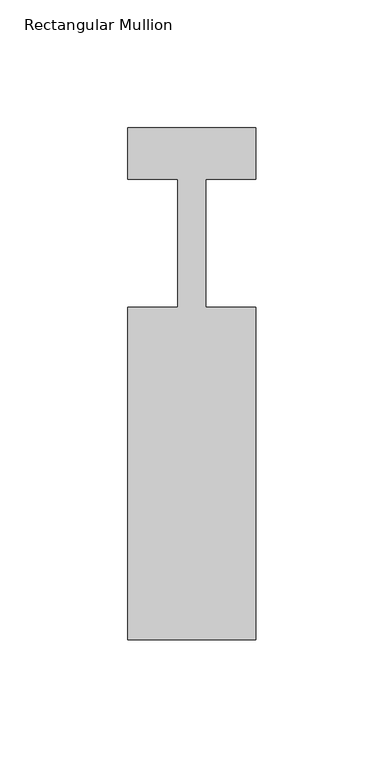
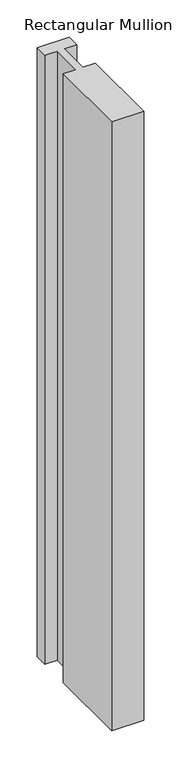
"""IFC4 building model written with IfcOpenShell, lengths in millimetres: member geometry, Rectangular Mullion."""

from ifc_helpers import new_model, si_unit, frame, origin, place, context, project, spatial, polyline, outline, extrude, source, transform, mapped, element, save


def rectangular_mullion_e4d158bd(model_context):
    return source(origin(), model_context, "Body", "SweptSolid", [
        extrude(outline(polyline([(0.0, -153.0), (-50.0, -153.0), (-50.0, -23.0), (-30.4999999, -23.0), (-30.4999999, 27.0), (-50.0, 27.0), (-50.0, 47.0), (0.0, 47.0), (0.0, 27.0), (-19.5, 27.0), (-19.5, -23.0), (0.0, -23.0), (0.0, -153.0)])), frame((0.0, 0.0, -1000.0), z_axis=(0.0, 0.0, 1.0), x_axis=(1.0, 0.0, 0.0)), (0.0, 0.0, 1.0), 1000.0),
    ])


if __name__ == "__main__":
    model = new_model("IFC4")
    model_context = context("Model", 3, world=origin())
    ifc_project = project(units=[si_unit("LENGTHUNIT", "METRE", prefix="MILLI")], contexts=[model_context])
    site = spatial("IfcSite", under=ifc_project)
    building = spatial("IfcBuilding", under=site)
    placement = place(None, origin())
    rectangular_mullion_shape = rectangular_mullion_e4d158bd(model_context)
    element("IfcMember", 1, ObjectType="Rectangular Mullion", at=placement, inside=building, context=model_context, shape_type="MappedRepresentation", body=[
        mapped(rectangular_mullion_shape, transform((0.0, 0.0, 0.0), x_axis=(1.0, 0.0, 0.0), y_axis=(0.0, 1.0, 0.0), z_axis=(0.0, 0.0, 1.0))),
    ])
    save(model, "model.ifc")
